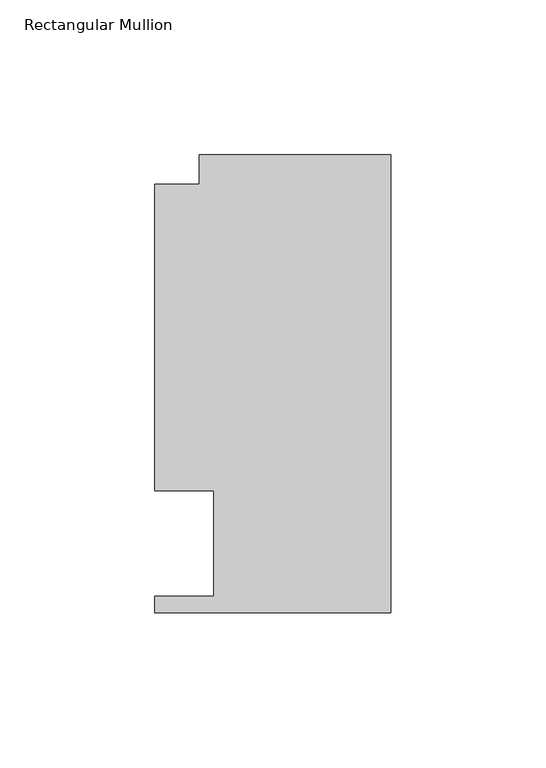
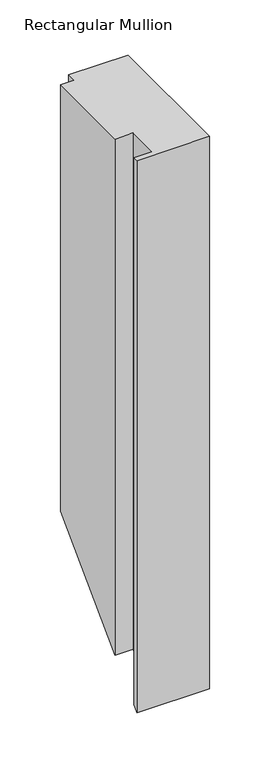
"""IFC4 building model written with IfcOpenShell, lengths in millimetres: member geometry, Rectangular Mullion."""

from ifc_helpers import new_model, si_unit, origin, place, context, project, spatial, faceted_brep, source, transform, mapped, element, save


def rectangular_mullion_4fe25750(model_context):
    return source(origin(), model_context, "Body", "Brep", [
        faceted_brep([(-61.9124999, 147.847839, 0.0), (-61.9124999, 138.322839, 0.0), (-76.1999999, 138.322839, 0.0), (-76.1999999, 39.3898438, 0.0), (-57.1499999, 39.3898438, 0.0), (-57.1499999, 5.353839, 0.0), (-76.2, 5.353839, 0.0), (-76.2, 0.019839, 0.0), (0.0, 0.019839, 0.0), (0.0, 147.847839, 0.0), (-61.9124999, 147.847839, -461.720411), (-61.9124999, 138.322839, -471.245411), (-76.1999999, 138.322839, -471.245411), (-76.1999999, 39.3898438, -570.1784063), (-57.1499999, 39.3898438, -570.1784063), (-57.1499999, 5.353839, -604.214411), (-76.2, 5.353839, -604.214411), (-76.2, 0.019839, -609.548411), (0.0, 0.019839, -609.548411), (0.0, 147.847839, -461.720411)], [[[0, 1, 2, 3, 4, 5, 6, 7, 8, 9]], [[1, 0, 10, 11]], [[2, 1, 11, 12]], [[3, 2, 12, 13]], [[4, 3, 13, 14]], [[5, 4, 14, 15]], [[6, 5, 15, 16]], [[7, 6, 16, 17]], [[8, 7, 17, 18]], [[9, 8, 18, 19]], [[0, 9, 19, 10]], [[10, 19, 18, 17, 16, 15, 14, 13, 12, 11]]]),
    ])


if __name__ == "__main__":
    model = new_model("IFC4")
    model_context = context("Model", 3, world=origin())
    ifc_project = project(units=[si_unit("LENGTHUNIT", "METRE", prefix="MILLI")], contexts=[model_context])
    site = spatial("IfcSite", under=ifc_project)
    building = spatial("IfcBuilding", under=site)
    placement = place(None, origin())
    rectangular_mullion_shape = rectangular_mullion_4fe25750(model_context)
    element("IfcMember", 1, ObjectType="Rectangular Mullion", at=placement, inside=building, context=model_context, shape_type="MappedRepresentation", body=[
        mapped(rectangular_mullion_shape, transform((0.0, 0.0, 0.0), x_axis=(1.0, 0.0, 0.0), y_axis=(0.0, 1.0, 0.0), z_axis=(0.0, 0.0, 1.0))),
    ])
    save(model, "model.ifc")
